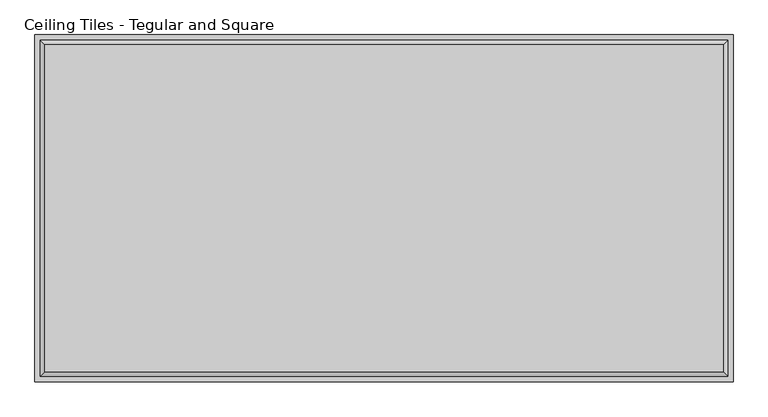
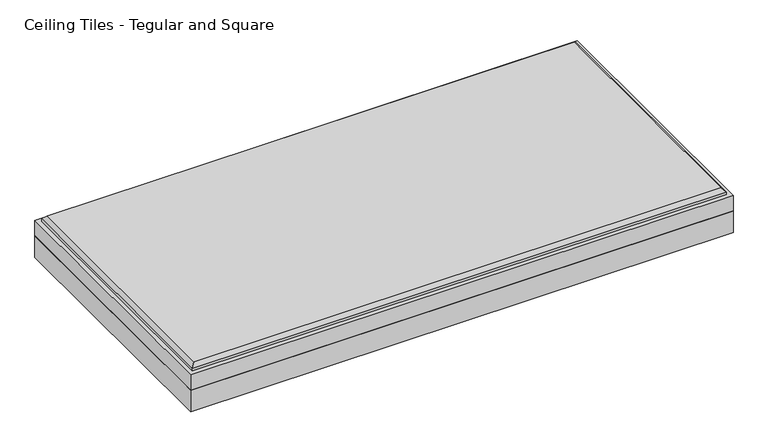
"""IFC4 building model written with IfcOpenShell, lengths in millimetres: proxy geometry, Ceiling Tiles - Tegular and Square."""

from ifc_helpers import new_model, si_unit, origin, origin_with_axes, place, context, project, spatial, polyline, outline, extrude, faceted_brep, source, transform, mapped, element, save


def ceiling_tiles_tegular_and_square_047c55d6(model_context):
    return source(origin(), model_context, "Body", "SolidModel", [
        extrude(outline(polyline([(606.425, 301.625), (606.425, -301.625), (-606.425, -301.625), (-606.425, 301.625), (606.425, 301.625)])), origin_with_axes(), (0.0, 0.0, 1.0), 50.8),
        faceted_brep([(588.899, 284.099, 101.6), (-588.899, 284.099, 101.6), (-588.899, -284.099, 101.6), (588.899, -284.099, 101.6), (-606.425, 301.625, 50.8), (606.425, 301.625, 50.8), (606.425, -301.625, 50.8), (-606.425, -301.625, 50.8), (-606.425, -301.625, 87.3125), (-606.425, 301.625, 87.3125), (606.425, -301.625, 87.3125), (606.425, 301.625, 87.3125), (596.9, 292.1, 93.599), (-596.9, 292.1, 93.599), (-596.9, -292.1, 93.599), (596.9, -292.1, 93.599), (596.9, 292.1, 87.3125), (-596.9, 292.1, 87.3125), (-596.9, -292.1, 87.3125), (596.9, -292.1, 87.3125)], [[[0, 1, 2, 3]], [[4, 5, 6, 7]], [[4, 7, 8, 9]], [[7, 6, 10, 8]], [[6, 5, 11, 10]], [[5, 4, 9, 11]], [[12, 13, 1, 0]], [[1, 13, 14, 2]], [[2, 14, 15, 3]], [[12, 0, 3, 15]], [[16, 17, 13, 12]], [[13, 17, 18, 14]], [[14, 18, 19, 15]], [[16, 12, 15, 19]], [[9, 8, 10, 11], [17, 16, 19, 18]]]),
    ])


if __name__ == "__main__":
    model = new_model("IFC4")
    model_context = context("Model", 3, world=origin())
    ifc_project = project(units=[si_unit("LENGTHUNIT", "METRE", prefix="MILLI")], contexts=[model_context])
    site = spatial("IfcSite", under=ifc_project)
    building = spatial("IfcBuilding", under=site)
    placement = place(None, origin())
    ceiling_tiles_tegular_and_square_shape = ceiling_tiles_tegular_and_square_047c55d6(model_context)
    element("IfcBuildingElementProxy", 1, Name="Ceiling Tiles - Tegular and Square", ObjectType="Ceiling Tiles - Tegular and Square", at=placement, inside=building, context=model_context, shape_type="MappedRepresentation", body=[
        mapped(ceiling_tiles_tegular_and_square_shape, transform((0.0, 0.0, 0.0), x_axis=(1.0, 0.0, 0.0), y_axis=(0.0, 1.0, 0.0), z_axis=(0.0, 0.0, 1.0))),
    ])
    save(model, "model.ifc")
